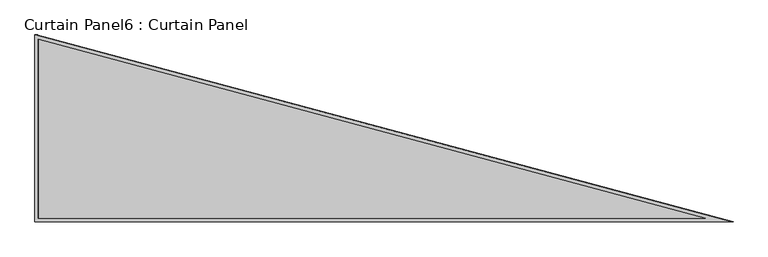
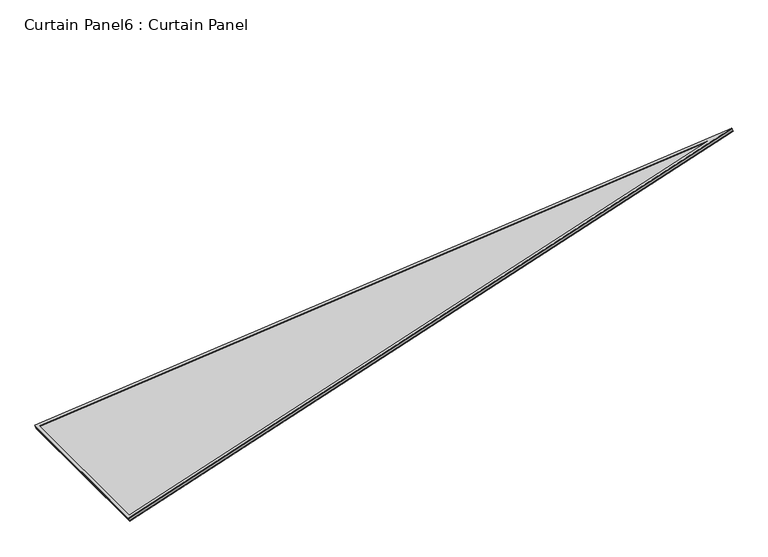
"""IFC4 building model written with IfcOpenShell, lengths in millimetres: plate geometry, Curtain Panel6 : Curtain Panel."""

from ifc_helpers import new_model, si_unit, frame, origin, place, context, project, spatial, polyline, outline, extrude, source, transform, mapped, element, save


def curtain_panel6_curtain_panel_23a50e56(model_context):
    return source(origin(), model_context, "Body", "SweptSolid", [
        extrude(outline(polyline([(882.6742894, -10.3133389), (-13.263066, -10.3133389), (882.6742894, 3514.1373229), (882.6742894, -10.3133389)]), holes=[polyline([(872.3609505, 0.0), (872.3609505, 3431.7054766), (0.0, 0.0), (872.3609505, 0.0)])]), frame((5646.8205772, 3091.87306, 885.2377527), z_axis=(-0.31614582397378255, 0.0, 0.9487106081329217), x_axis=(0.0, -1.0, 0.0)), (0.0, 0.0, 1.0), 4.7896951),
        extrude(outline(polyline([(874.5081203, -16.6633389), (-21.4292351, -16.6633389), (874.5081203, 3507.7873229), (874.5081203, -16.6633389)]), holes=[polyline([(857.8447814, 0.0), (857.8447814, 3374.6015715), (0.0, 0.0), (857.8447814, 0.0)])]), frame((5647.2748845, 3083.7068909, 903.960106), z_axis=(-0.31614582397380764, 0.0, 0.9487106081329134), x_axis=(0.0, -1.0, 0.0)), (0.0, 0.0, 1.0), 4.8605322),
        extrude(outline(polyline([(12.7, 0.0), (908.6373554, 0.0), (12.7, -3524.4506618), (12.7, 0.0)])), frame((5635.521961, 2196.4987706, 886.5212683), z_axis=(-0.3161458239738053, 0.0, 0.9487106081329142), x_axis=(0.0, 1.0, 0.0)), (0.0, 0.0, 1.0), 12.8287727),
    ])


if __name__ == "__main__":
    model = new_model("IFC4")
    model_context = context("Model", 3, world=origin())
    ifc_project = project(units=[si_unit("LENGTHUNIT", "METRE", prefix="MILLI")], contexts=[model_context])
    site = spatial("IfcSite", under=ifc_project)
    building = spatial("IfcBuilding", under=site)
    placement = place(None, origin())
    curtain_panel6_curtain_panel_shape = curtain_panel6_curtain_panel_23a50e56(model_context)
    element("IfcPlate", 1, ObjectType="Curtain Panel6 : Curtain Panel", at=placement, inside=building, context=model_context, shape_type="MappedRepresentation", body=[
        mapped(curtain_panel6_curtain_panel_shape, transform((0.0, 0.0, 0.0), x_axis=(1.0, 0.0, 0.0), y_axis=(0.0, 1.0, 0.0), z_axis=(0.0, 0.0, 1.0))),
    ])
    save(model, "model.ifc")
